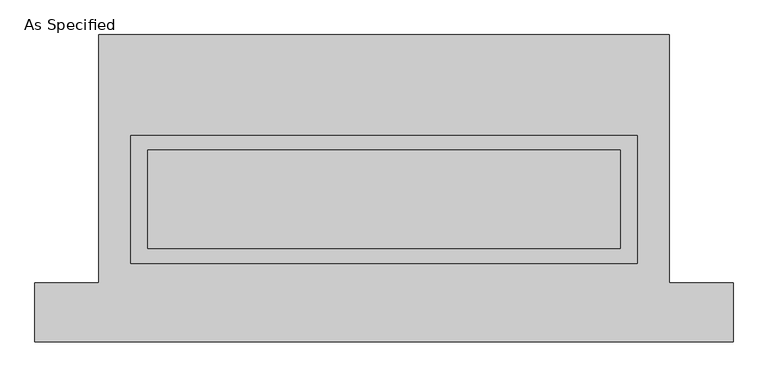
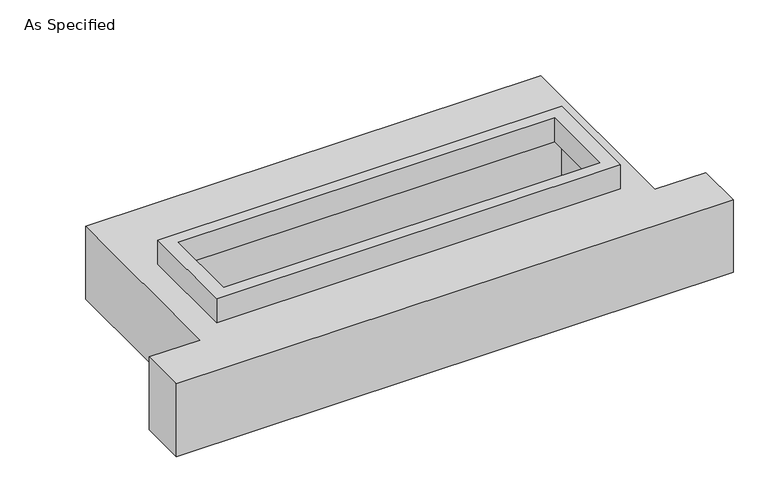
"""IFC4 building model written with IfcOpenShell, lengths in millimetres: proxy geometry, As Specified."""

from ifc_helpers import new_model, si_unit, frame, origin, place, context, project, spatial, polyline, outline, extrude, faceted_brep, source, transform, mapped, element, save


def as_specified_4e6b7f9c(model_context):
    return source(origin(), model_context, "Body", "SolidModel", [
        extrude(outline(polyline([(1308.1, 273.05), (1308.1, -387.35), (-1308.1, -387.35), (-1308.1, 273.05), (1308.1, 273.05)]), holes=[polyline([(1219.2, 196.85), (-1219.2, 196.85), (-1219.2, -311.15), (1219.2, -311.15), (1219.2, 196.85)])]), frame((0.0, 0.0, -25.4), z_axis=(0.0, 0.0, 1.0), x_axis=(1.0, 0.0, 0.0)), (0.0, 0.0, 1.0), 165.1),
        faceted_brep([(-1473.2, 793.75, -523.875), (1473.2, 793.75, -523.875), (1473.2, -488.95, -523.875), (1803.4, -488.95, -523.875), (1803.4, -793.75, -523.875), (-1803.4, -793.75, -523.875), (-1803.4, -488.95, -523.875), (-1473.2, -488.95, -523.875), (1473.2, 793.75, -25.4), (-1473.2, 793.75, -25.4), (-1473.2, -488.95, -25.4), (-1803.4, -488.95, -25.4), (-1803.4, -793.75, -25.4), (1803.4, -793.75, -25.4), (1803.4, -488.95, -25.4), (1473.2, -488.95, -25.4), (-1308.1, -387.35, -25.4), (-1308.1, 273.05, -25.4), (1308.1, 273.05, -25.4), (1308.1, -387.35, -25.4), (1308.1, 273.05, -498.475), (-1308.1, 273.05, -498.475), (-1308.1, -387.35, -498.475), (1308.1, -387.35, -498.475)], [[[0, 1, 2, 3, 4, 5, 6, 7]], [[8, 9, 10, 11, 12, 13, 14, 15], [16, 17, 18, 19]], [[1, 0, 9, 8]], [[9, 0, 7, 10]], [[1, 8, 15, 2]], [[20, 21, 22, 23]], [[22, 21, 17, 16]], [[21, 20, 18, 17]], [[20, 23, 19, 18]], [[23, 22, 16, 19]], [[5, 4, 13, 12]], [[3, 2, 15, 14]], [[4, 3, 14, 13]], [[7, 6, 11, 10]], [[6, 5, 12, 11]]]),
    ])


if __name__ == "__main__":
    model = new_model("IFC4")
    model_context = context("Model", 3, world=origin())
    ifc_project = project(units=[si_unit("LENGTHUNIT", "METRE", prefix="MILLI")], contexts=[model_context])
    site = spatial("IfcSite", under=ifc_project)
    building = spatial("IfcBuilding", under=site)
    placement = place(None, origin())
    as_specified_shape = as_specified_4e6b7f9c(model_context)
    element("IfcBuildingElementProxy", 1, Name="As Specified", ObjectType="As Specified", at=placement, inside=building, context=model_context, shape_type="MappedRepresentation", body=[
        mapped(as_specified_shape, transform((0.0, 0.0, 0.0), x_axis=(1.0, 0.0, 0.0), y_axis=(0.0, 1.0, 0.0), z_axis=(0.0, 0.0, 1.0))),
    ])
    save(model, "model.ifc")
